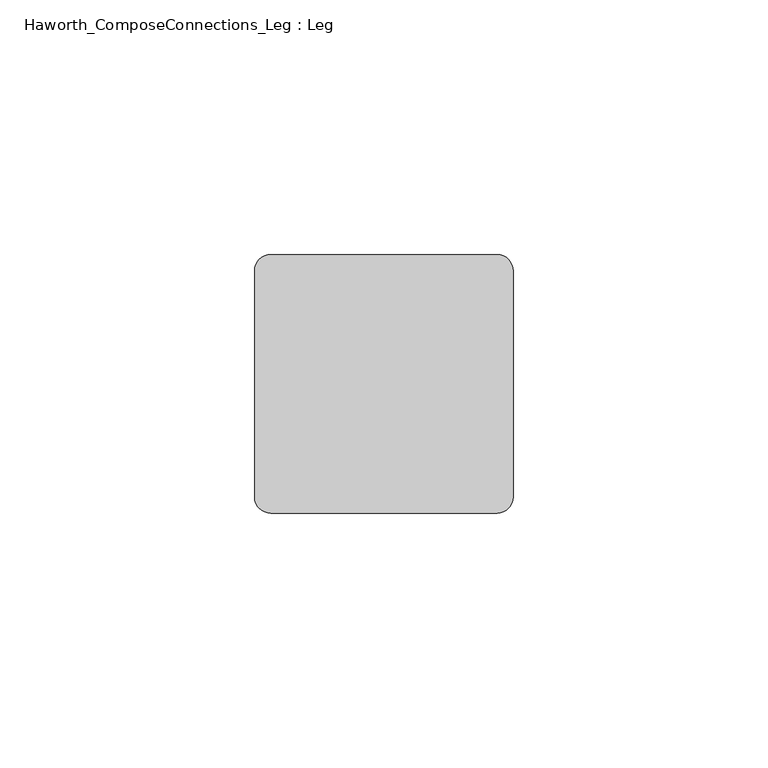
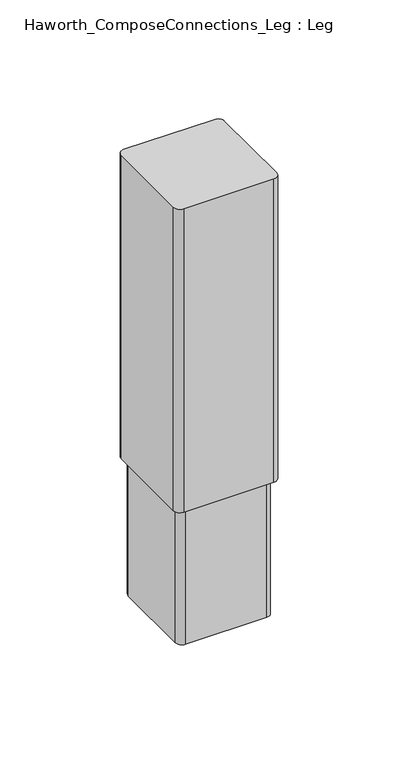
"""IFC4 building model written with IfcOpenShell, lengths in millimetres: furniture geometry, Haworth_ComposeConnections_Leg : Leg."""

from ifc_helpers import new_model, si_unit, point, frame, frame_2d, origin, place, context, project, spatial, polyline, circle_curve, trimmed, segment, composite_curve, outline, extrude, source, transform, mapped, element, save


def haworth_composeconnections_leg_leg_f7771f14(model_context):
    return source(origin(), model_context, "Body", "SweptSolid", [
        extrude(outline(composite_curve([segment(trimmed(circle_curve(frame_2d((161.9249992, 50.5284841)), 3.175), [point((161.9249992, 47.3534841))], [point((158.7499992, 50.5284841))], False, "CARTESIAN"), True, "CONTINUOUS"), segment(polyline([(158.7499992, 50.5284841), (158.7499992, 94.9784822)]), True, "CONTINUOUS"), segment(trimmed(circle_curve(frame_2d((161.9249992, 94.9784822)), 3.175), [point((158.7499992, 94.9784822))], [point((161.9249992, 98.1534822))], False, "CARTESIAN"), True, "CONTINUOUS"), segment(polyline([(161.9249992, 98.1534822), (206.3749962, 98.1534822)]), True, "CONTINUOUS"), segment(trimmed(circle_curve(frame_2d((206.3749962, 94.9784822)), 3.175), [point((206.3749962, 98.1534822))], [point((209.5499962, 94.9784822))], False, "CARTESIAN"), True, "CONTINUOUS"), segment(polyline([(209.5499962, 94.9784822), (209.5499962, 50.5284841)]), True, "CONTINUOUS"), segment(trimmed(circle_curve(frame_2d((206.3749962, 50.5284841)), 3.175), [point((209.5499962, 50.5284841))], [point((206.3749962, 47.3534841))], False, "CARTESIAN"), True, "CONTINUOUS"), segment(polyline([(206.3749962, 47.3534841), (161.9249992, 47.3534841)]), True, "CONTINUOUS")], self_intersect=False)), frame((0.0, 0.0, 77.215999), z_axis=(0.0, 0.0, 1.0), x_axis=(1.0, 0.0, 0.0)), (0.0, 0.0, 1.0), 157.734001),
        extrude(outline(composite_curve([segment(trimmed(circle_curve(frame_2d((164.2109971, 52.8144819)), 3.175), [point((164.2109971, 49.6394819))], [point((161.0359971, 52.8144819))], False, "CARTESIAN"), True, "CONTINUOUS"), segment(polyline([(161.0359971, 52.8144819), (161.0359971, 92.6924821)]), True, "CONTINUOUS"), segment(trimmed(circle_curve(frame_2d((164.2109971, 92.6924821)), 3.175), [point((161.0359971, 92.6924821))], [point((164.2109971, 95.8674821))], False, "CARTESIAN"), True, "CONTINUOUS"), segment(polyline([(164.2109971, 95.8674821), (204.0889984, 95.8674821)]), True, "CONTINUOUS"), segment(trimmed(circle_curve(frame_2d((204.0889984, 92.6924821)), 3.175), [point((204.0889984, 95.8674821))], [point((207.2639984, 92.6924821))], False, "CARTESIAN"), True, "CONTINUOUS"), segment(polyline([(207.2639984, 92.6924821), (207.2639984, 52.8144819)]), True, "CONTINUOUS"), segment(trimmed(circle_curve(frame_2d((204.0889984, 52.8144819)), 3.175), [point((207.2639984, 52.8144819))], [point((204.0889984, 49.6394819))], False, "CARTESIAN"), True, "CONTINUOUS"), segment(polyline([(204.0889984, 49.6394819), (164.2109971, 49.6394819)]), True, "CONTINUOUS")], self_intersect=False)), frame((0.0, 0.0, 6.35), z_axis=(0.0, 0.0, 1.0), x_axis=(1.0, 0.0, 0.0)), (0.0, 0.0, 1.0), 153.415999),
    ])


if __name__ == "__main__":
    model = new_model("IFC4")
    model_context = context("Model", 3, world=origin())
    ifc_project = project(units=[si_unit("LENGTHUNIT", "METRE", prefix="MILLI")], contexts=[model_context])
    site = spatial("IfcSite", under=ifc_project)
    building = spatial("IfcBuilding", under=site)
    placement = place(None, origin())
    haworth_composeconnections_leg_leg_shape = haworth_composeconnections_leg_leg_f7771f14(model_context)
    element("IfcFurniture", 1, ObjectType="Haworth_ComposeConnections_Leg : Leg", at=placement, inside=building, context=model_context, shape_type="MappedRepresentation", body=[
        mapped(haworth_composeconnections_leg_leg_shape, transform((0.0, 0.0, 0.0), x_axis=(1.0, 0.0, 0.0), y_axis=(0.0, 1.0, 0.0), z_axis=(0.0, 0.0, 1.0))),
    ])
    save(model, "model.ifc")
